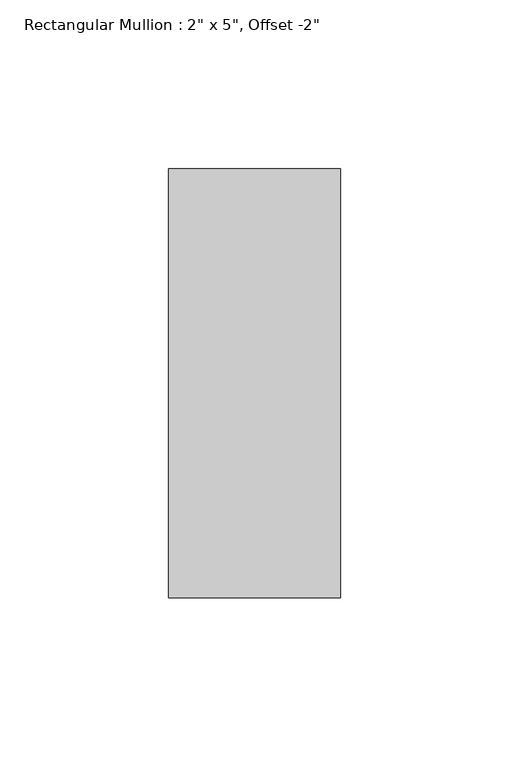
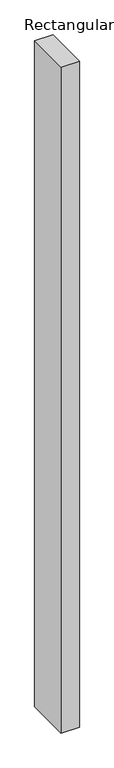
"""IFC4 building model written with IfcOpenShell, lengths in millimetres: member geometry."""

from ifc_helpers import new_model, si_unit, frame, origin, place, context, project, spatial, polyline, outline, extrude, source, transform, mapped, element, save


def member_3f4691e2(model_context):
    return source(origin(), model_context, "Body", "SweptSolid", [
        extrude(outline(polyline([(0.0, 12.7), (0.0, -114.3), (-50.8, -114.3), (-50.8, 12.7), (0.0, 12.7)])), frame((0.0, 0.0, -1958.6821294), z_axis=(0.0, 0.0, 1.0), x_axis=(1.0, 0.0, 0.0)), (0.0, 0.0, 1.0), 1958.6821294),
    ])


if __name__ == "__main__":
    model = new_model("IFC4")
    model_context = context("Model", 3, world=origin())
    ifc_project = project(units=[si_unit("LENGTHUNIT", "METRE", prefix="MILLI")], contexts=[model_context])
    site = spatial("IfcSite", under=ifc_project)
    building = spatial("IfcBuilding", under=site)
    placement = place(None, origin())
    member_shape = member_3f4691e2(model_context)
    element("IfcMember", 1, ObjectType="Rectangular Mullion : 2\" x 5\", Offset -2\"", at=placement, inside=building, context=model_context, shape_type="MappedRepresentation", body=[
        mapped(member_shape, transform((0.0, 0.0, 0.0), x_axis=(1.0, 0.0, 0.0), y_axis=(0.0, 1.0, 0.0), z_axis=(0.0, 0.0, 1.0))),
    ])
    save(model, "model.ifc")
